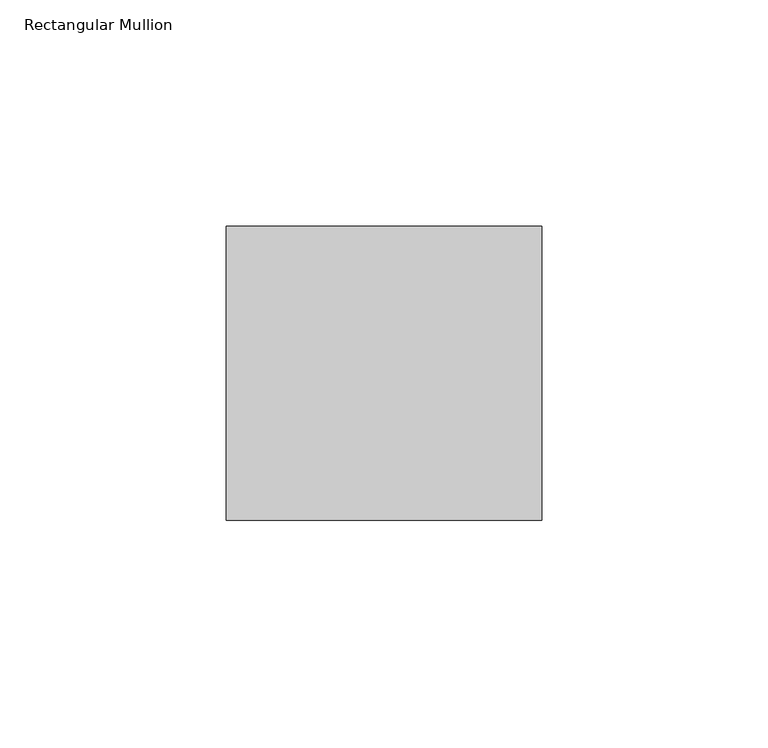
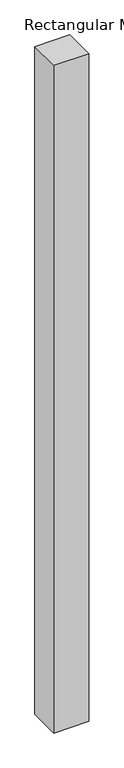
"""IFC4 building model written with IfcOpenShell, lengths in millimetres: member geometry, Rectangular Mullion."""

from ifc_helpers import new_model, si_unit, frame, origin, place, context, project, spatial, polyline, outline, extrude, source, transform, mapped, element, save


def rectangular_mullion_f8c46611(model_context):
    return source(origin(), model_context, "Body", "SweptSolid", [
        extrude(outline(polyline([(0.0, -46.0375), (-69.85, -46.0375), (-69.85, 19.05), (0.0, 19.05), (0.0, -46.0375)])), frame((0.0, 0.0, -1408.90625), z_axis=(0.0, 0.0, 1.0), x_axis=(1.0, 0.0, 0.0)), (0.0, 0.0, 1.0), 1408.90625),
    ])


if __name__ == "__main__":
    model = new_model("IFC4")
    model_context = context("Model", 3, world=origin())
    ifc_project = project(units=[si_unit("LENGTHUNIT", "METRE", prefix="MILLI")], contexts=[model_context])
    site = spatial("IfcSite", under=ifc_project)
    building = spatial("IfcBuilding", under=site)
    placement = place(None, origin())
    rectangular_mullion_shape = rectangular_mullion_f8c46611(model_context)
    element("IfcMember", 1, ObjectType="Rectangular Mullion", at=placement, inside=building, context=model_context, shape_type="MappedRepresentation", body=[
        mapped(rectangular_mullion_shape, transform((0.0, 0.0, 0.0), x_axis=(1.0, 0.0, 0.0), y_axis=(0.0, 1.0, 0.0), z_axis=(0.0, 0.0, 1.0))),
    ])
    save(model, "model.ifc")
